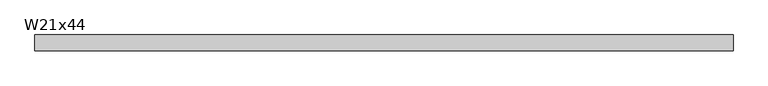
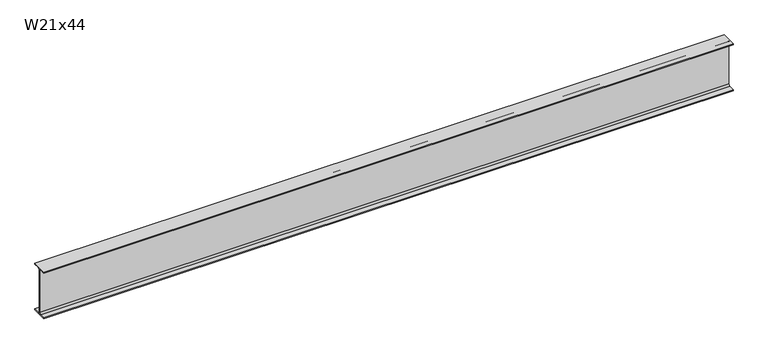
"""IFC4 building model written with IfcOpenShell, lengths in millimetres: beam geometry, W21x44."""

from ifc_helpers import new_model, si_unit, point, frame, frame_2d, origin, place, context, project, spatial, polyline, circle_curve, trimmed, segment, composite_curve, outline, extrude, source, transform, mapped, element, save


def w21x44_1e0efa18(model_context):
    return source(origin(), model_context, "Body", "SweptSolid", [
        extrude(outline(composite_curve([segment(polyline([(82.55, -251.46), (82.55, -262.89), (-82.55, -262.89), (-82.55, -251.46), (-21.59, -251.46)]), True, "CONTINUOUS"), segment(trimmed(circle_curve(frame_2d((-21.59, -234.315)), 17.145), [point((-21.59, -251.46))], [point((-4.445, -234.315))], True, "CARTESIAN"), True, "CONTINUOUS"), segment(polyline([(-4.445, -234.315), (-4.445, 234.315)]), True, "CONTINUOUS"), segment(trimmed(circle_curve(frame_2d((-21.59, 234.315)), 17.145), [point((-4.445, 234.315))], [point((-21.59, 251.46))], True, "CARTESIAN"), True, "CONTINUOUS"), segment(polyline([(-21.59, 251.46), (-82.55, 251.46), (-82.55, 262.89), (82.55, 262.89), (82.55, 251.46), (21.59, 251.46)]), True, "CONTINUOUS"), segment(trimmed(circle_curve(frame_2d((21.59, 234.315)), 17.145), [point((21.59, 251.46))], [point((4.445, 234.315))], True, "CARTESIAN"), True, "CONTINUOUS"), segment(polyline([(4.445, 234.315), (4.445, -234.315)]), True, "CONTINUOUS"), segment(trimmed(circle_curve(frame_2d((21.59, -234.315)), 17.145), [point((4.445, -234.315))], [point((21.59, -251.46))], True, "CARTESIAN"), True, "CONTINUOUS"), segment(polyline([(21.59, -251.46), (82.55, -251.46)]), True, "CONTINUOUS")], self_intersect=False)), frame((-3670.3093023, 0.0, 0.0), z_axis=(1.0, 0.0, 0.0), x_axis=(0.0, 1.0, 0.0)), (0.0, 0.0, 1.0), 7316.4886045),
    ])


if __name__ == "__main__":
    model = new_model("IFC4")
    model_context = context("Model", 3, world=origin())
    ifc_project = project(units=[si_unit("LENGTHUNIT", "METRE", prefix="MILLI")], contexts=[model_context])
    site = spatial("IfcSite", under=ifc_project)
    building = spatial("IfcBuilding", under=site)
    placement = place(None, origin())
    w21x44_shape = w21x44_1e0efa18(model_context)
    element("IfcBeam", 1, ObjectType="W21x44", at=placement, inside=building, context=model_context, shape_type="MappedRepresentation", body=[
        mapped(w21x44_shape, transform((0.0, 0.0, 0.0), x_axis=(1.0, 0.0, 0.0), y_axis=(0.0, 1.0, 0.0), z_axis=(0.0, 0.0, 1.0))),
    ])
    save(model, "model.ifc")
